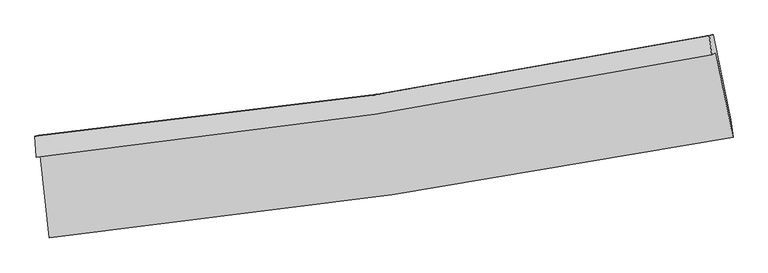
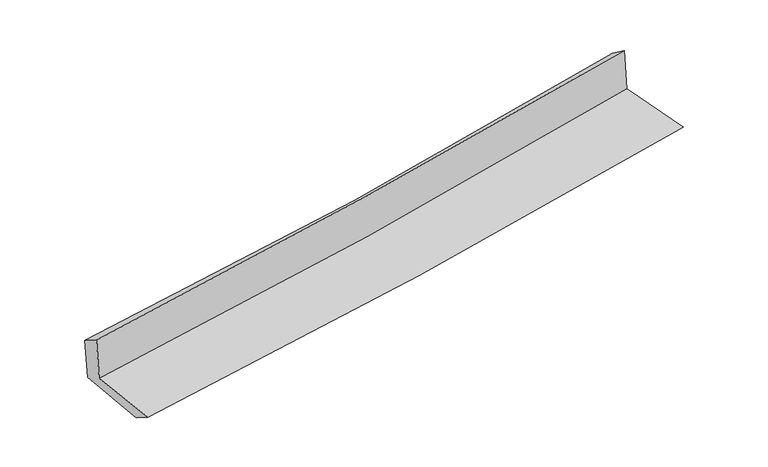
"""IFC4 building model written with IfcOpenShell, lengths in millimetres: proxy geometry."""

from ifc_helpers import new_model, si_unit, frame, origin, place, context, project, spatial, source, transform, mapped, element, save
from ifc_brep_helpers import plane_surface, spline_curve, spline_surface, advanced_brep


def generic_models_d8c69600(model_context):
    return source(origin(), model_context, "Body", "AdvancedBrep", [
        advanced_brep(
        [(-2715.2418227, -1890.6875689, 1649.9943661), (-2641.7908577, -2546.5777275, 1639.9581677), (2800.2095944, -1743.0434162, 2099.7030735), (2663.9078402, -1072.000518, 2120.0743939), (-2747.8824113, -1905.4676664, 2047.7362705), (2630.9921589, -1086.7034325, 2516.8793396), (-2757.9042518, -1735.1824505, 1945.3508108), (2610.9114374, -938.0172562, 2409.4135162), (-2725.9979908, -1727.6273283, 1565.4083002), (2644.1791935, -930.2128453, 2024.0077612), (-2651.5655268, -2377.5771444, 1536.3542466), (2781.8540661, -1605.8475939, 1998.6238099)],
        [
            (0, 1),
            (1, 2, spline_curve(3, [(-2641.7908577, -2546.5777275, 1639.9581677), (-1730.749495493, -2450.430466036, 1718.897724283), (-822.367448327, -2335.517124539, 1796.627020976), (991.647814328, -2067.778994984, 1949.882200116), (1897.265917637, -1914.847565791, 2025.401205559), (2800.2095944, -1743.0434162, 2099.7030735)], [4, 2, 4], [0.0, 8.997003969831006, 18.019535048561163])),
            (2, 3),
            (3, 0, spline_curve(3, [(2663.9078402, -1072.000518, 2120.0743939), (1772.061714259, -1250.977519047, 2048.79883386), (877.236941205, -1408.756601503, 1973.927136799), (-915.829777051, -1681.53250593, 1817.213474303), (-1814.054891837, -1796.649106799, 1735.391828781), (-2715.2418227, -1890.6875689, 1649.9943661)], [4, 2, 4], [0.0, 9.022531078730157, 18.019535048561163])),
            (4, 0),
            (3, 5),
            (5, 4, spline_curve(3, [(2630.9921589, -1086.7034325, 2516.8793396), (1738.66578883, -1265.962419861, 2452.205023008), (843.624223663, -1423.888746036, 2380.707573221), (-949.349308918, -1696.689616629, 2224.28799587), (-1847.265933272, -1811.684701929, 2139.404422963), (-2747.8824113, -1905.4676664, 2047.7362705)], [4, 2, 4], [0.0, 8.974444659443975, 17.923498259091982])),
            (6, 4),
            (5, 7),
            (7, 6, spline_curve(3, [(2610.9114374, -938.0172562, 2409.4135162), (1721.918542874, -1119.764901714, 2334.047328149), (829.381970885, -1277.128770898, 2257.63607958), (-960.243282431, -1542.71272151, 2102.942606051), (-1857.311940021, -1651.070583642, 2024.666286046), (-2757.9042518, -1735.1824505, 1945.3508108)], [4, 2, 4], [0.0, 8.963413928742861, 17.90146800652255])),
            (8, 6),
            (7, 9),
            (9, 8, spline_curve(3, [(2644.1791935, -930.2128453, 2024.0077612), (1755.108831849, -1111.973492767, 1947.792673626), (862.419801312, -1269.364686612, 1871.414138032), (-927.659707544, -1535.031814165, 1718.546727533), (-1825.029738506, -1643.445447984, 1642.058776274), (-2725.9979908, -1727.6273283, 1565.4083002)], [4, 2, 4], [0.0, 8.953439907343396, 17.88154818284841])),
            (10, 8),
            (9, 11),
            (11, 10, spline_curve(3, [(2781.8540661, -1605.8475939, 1998.6238099), (1879.495394669, -1768.961216579, 1922.354068469), (974.886478564, -1914.895626807, 1845.641535643), (-836.26610094, -2172.041738542, 1691.549179024), (-1742.79704902, -2283.350512135, 1614.171857607), (-2651.5655268, -2377.5771444, 1536.3542466)], [4, 2, 4], [0.0, 9.001521758101202, 17.977575848186405])),
            (1, 10),
            (11, 2),
        ],
        [
            spline_surface(3, 3, [[(-2715.2418227, -1890.6875689, 1649.9943661), (-1814.054891853, -1796.649106936, 1735.391828765), (-915.82977719, -1681.532505911, 1817.21347422), (877.236941345, -1408.756601522, 1973.927136881), (1772.061714323, -1250.977518961, 2048.798833997), (2663.9078402, -1072.000518, 2120.0743939)], [(-2690.758167709, -2109.317621741, 1646.648966646), (-1786.286426424, -2014.57622661, 1729.89379398), (-884.675667575, -1899.527378834, 1810.351323115), (915.373898982, -1628.430732669, 1965.912158023), (1813.796448795, -1472.267534609, 2040.999624566), (2709.341758257, -1295.68148409, 2113.28395377)], [(-2666.274512691, -2327.947674659, 1643.303567154), (-1758.517960968, -2232.503346362, 1724.395759156), (-853.521557914, -2117.522251697, 1803.489171951), (953.510856663, -1848.104863756, 1957.897179105), (1855.531183297, -1693.557550187, 2033.200415124), (2754.775676343, -1519.36245011, 2106.49351363)], [(-2641.7908577, -2546.5777275, 1639.9581677), (-1730.749495539, -2450.430466036, 1718.897724371), (-822.367448299, -2335.51712462, 1796.627020846), (991.6478143, -2067.778994902, 1949.882200246), (1897.265917768, -1914.847565835, 2025.401205693), (2800.2095944, -1743.0434162, 2099.7030735)]], [4, 4], [4, 2, 4], [0.0, 2.1819766776800043], [0.0, 8.997003969831006, 18.019535048561163]),
            spline_surface(3, 3, [[(-2747.8824113, -1905.4676664, 2047.7362705), (-1847.265933415, -1811.684701822, 2139.404422829), (-949.349308804, -1696.689616653, 2224.287995894), (843.624223548, -1423.888746012, 2380.707573196), (1738.665788967, -1265.962419832, 2452.205023136), (2630.9921589, -1086.7034325, 2516.8793396)], [(-2737.002215091, -1900.540967263, 1915.155635703), (-1836.195586219, -1806.67283689, 2004.733558144), (-938.176131599, -1691.637246396, 2088.596488661), (854.828462814, -1418.84469784, 2245.114094416), (1749.797764073, -1260.967452856, 2317.736293427), (2641.964052654, -1081.802460981, 2384.611024371)], [(-2726.122018909, -1895.614268037, 1782.575000897), (-1825.125239049, -1801.660971868, 1870.06269345), (-927.002954395, -1686.584876168, 1952.904981454), (866.032702079, -1413.800649695, 2109.520615662), (1760.929739217, -1255.972485937, 2183.267563706), (2652.935946446, -1076.901489519, 2252.342709129)], [(-2715.2418227, -1890.6875689, 1649.9943661), (-1814.054891853, -1796.649106936, 1735.391828765), (-915.82977719, -1681.532505911, 1817.21347422), (877.236941345, -1408.756601522, 1973.927136881), (1772.061714323, -1250.977518961, 2048.798833997), (2663.9078402, -1072.000518, 2120.0743939)]], [4, 4], [4, 2, 4], [0.0, 1.3405179005096528], [0.0, 8.949053599648007, 17.923498259091982]),
            spline_surface(3, 3, [[(-2757.9042518, -1735.1824505, 1945.3508108), (-1857.311940096, -1651.07058361, 2024.666286079), (-960.243282438, -1542.7127214, 2102.942605998), (829.381970892, -1277.128771009, 2257.636079632), (1721.918543019, -1119.764901746, 2334.047328115), (2610.9114374, -938.0172562, 2409.4135162)], [(-2754.563638325, -1791.94418913, 1979.479297366), (-1853.963271227, -1704.608623011, 2062.912331662), (-956.611957895, -1594.038353144, 2143.391069291), (834.129388443, -1326.04876267, 2298.659910814), (1727.500958354, -1168.497407777, 2373.433226437), (2617.605011252, -987.579314969, 2445.235457315)], [(-2751.223024775, -1848.70592777, 2013.607783934), (-1850.614602284, -1758.146662421, 2101.158377246), (-952.980633347, -1645.363984909, 2183.839532602), (838.876805998, -1374.968754351, 2339.683742014), (1733.083373632, -1217.229913801, 2412.819124814), (2624.298585048, -1037.141373731, 2481.057398485)], [(-2747.8824113, -1905.4676664, 2047.7362705), (-1847.265933415, -1811.684701822, 2139.404422829), (-949.349308804, -1696.689616653, 2224.287995894), (843.624223548, -1423.888746012, 2380.707573196), (1738.665788967, -1265.962419832, 2452.205023136), (2630.9921589, -1086.7034325, 2516.8793396)]], [4, 4], [4, 2, 4], [0.0, 0.6370337343700329], [0.0, 8.938054077779688, 17.90146800652255]),
            spline_surface(3, 3, [[(-2725.9979908, -1727.6273283, 1565.4083002), (-1825.029738454, -1643.445447913, 1642.058776188), (-927.65970751, -1535.031814175, 1718.546727488), (862.419801279, -1269.364686602, 1871.414138077), (1755.10883178, -1111.973492668, 1947.792673734), (2644.1791935, -930.2128453, 2024.0077612)], [(-2736.63341113, -1730.145702342, 1692.055803731), (-1835.790472332, -1645.987159787, 1769.594612816), (-938.520899157, -1537.592116579, 1846.678687012), (851.407191146, -1271.952714733, 2000.154785283), (1744.045402176, -1114.57062902, 2076.544225203), (2633.08994145, -932.814315593, 2152.476346208)], [(-2747.26883147, -1732.664076458, 1818.703307269), (-1846.551206218, -1648.528871735, 1897.130449451), (-949.382090791, -1540.152418996, 1974.810646474), (840.394581025, -1274.540742878, 2128.895432427), (1732.981972623, -1117.167765394, 2205.295776647), (2622.00068945, -935.415785907, 2280.944931192)], [(-2757.9042518, -1735.1824505, 1945.3508108), (-1857.311940096, -1651.07058361, 2024.666286079), (-960.243282438, -1542.7127214, 2102.942605998), (829.381970892, -1277.128771009, 2257.636079632), (1721.918543019, -1119.764901746, 2334.047328115), (2610.9114374, -938.0172562, 2409.4135162)]], [4, 4], [4, 2, 4], [0.0, 1.2689734350952482], [0.0, 8.928108275505013, 17.88154818284841]),
            spline_surface(3, 3, [[(-2651.5655268, -2377.5771444, 1536.3542466), (-1742.797048971, -2283.350512186, 1614.171857633), (-836.266100867, -2172.041738677, 1691.549179108), (974.88647849, -1914.895626671, 1845.641535559), (1879.49539468, -1768.961216674, 1922.354068488), (2781.8540661, -1605.8475939, 1998.6238099)], [(-2676.376348118, -2160.927205712, 1546.03893112), (-1770.20794545, -2070.048824107, 1623.467497138), (-866.730636403, -1959.705097203, 1700.548361892), (937.397586098, -1699.718646675, 1854.232403055), (1838.033207053, -1549.965308684, 1930.833603563), (2735.962441906, -1380.636011045, 2007.085126993)], [(-2701.187169482, -1944.277266988, 1555.72361568), (-1797.618841974, -1856.747135991, 1632.763136684), (-897.195171974, -1747.368455649, 1709.547544704), (899.908693671, -1484.541666598, 1862.823270581), (1796.571019407, -1330.969400658, 1939.313138659), (2690.070817694, -1155.424428155, 2015.546444107)], [(-2725.9979908, -1727.6273283, 1565.4083002), (-1825.029738454, -1643.445447913, 1642.058776188), (-927.65970751, -1535.031814175, 1718.546727488), (862.419801279, -1269.364686602, 1871.414138077), (1755.10883178, -1111.973492668, 1947.792673734), (2644.1791935, -930.2128453, 2024.0077612)]], [4, 4], [4, 2, 4], [0.0, 2.132130050881331], [0.0, 8.976054090085203, 17.977575848186405]),
            spline_surface(3, 3, [[(-2641.7908577, -2546.5777275, 1639.9581677), (-1730.749495539, -2450.430466036, 1718.897724371), (-822.367448299, -2335.51712462, 1796.627020846), (991.6478143, -2067.778994902, 1949.882200246), (1897.265917768, -1914.847565835, 2025.401205693), (2800.2095944, -1743.0434162, 2099.7030735)], [(-2645.049080726, -2490.244199811, 1605.423527334), (-1734.765346676, -2394.737148097, 1683.989102126), (-827.000332479, -2281.02532928, 1761.601073585), (986.060702372, -2016.817872133, 1915.135312001), (1891.342410087, -1866.21878277, 1991.052159968), (2794.091084981, -1697.311475422, 2066.009985643)], [(-2648.307303774, -2433.910672089, 1570.888886966), (-1738.781197834, -2339.043830125, 1649.080479878), (-831.633216686, -2226.533534018, 1726.57512637), (980.473590418, -1965.856749441, 1880.388423804), (1885.418902361, -1817.589999738, 1956.703114213), (2787.972575519, -1651.579534678, 2032.316897757)], [(-2651.5655268, -2377.5771444, 1536.3542466), (-1742.797048971, -2283.350512186, 1614.171857633), (-836.266100867, -2172.041738677, 1691.549179108), (974.88647849, -1914.895626671, 1845.641535559), (1879.49539468, -1768.961216674, 1922.354068488), (2781.8540661, -1605.8475939, 1998.6238099)]], [4, 4], [4, 2, 4], [0.0, 0.6242603699278481], [0.0, 9.034132896232737, 18.093898246894177]),
            plane_surface(frame((2688.6757151, -1229.304177, 2194.7836491), z_axis=(0.9766825254541583, 0.1957034124974548, 0.08826901386862049), x_axis=(-0.08598149583434707, -0.020170729834183915, 0.9960925278467079))),
            plane_surface(frame((-2706.7304768, -2030.519981, 1730.8003603), z_axis=(-0.9903058498502872, -0.10959520056391961, -0.08534175862761795), x_axis=(-0.11127814341860653, 0.993672978351944, 0.015204831156089046))),
        ],
        [
            (0, [[1, 2, 3, 4]]),
            (1, [[5, -4, 6, 7]]),
            (2, [[8, -7, 9, 10]]),
            (3, [[11, -10, 12, 13]]),
            (4, [[14, -13, 15, 16]]),
            (5, [[17, -16, 18, -2]]),
            (6, [[-12, -9, -6, -3, -18, -15]]),
            (7, [[-1, -5, -8, -11, -14, -17]]),
        ],
    ),
    ])


if __name__ == "__main__":
    model = new_model("IFC4")
    model_context = context("Model", 3, world=origin())
    ifc_project = project(units=[si_unit("LENGTHUNIT", "METRE", prefix="MILLI")], contexts=[model_context])
    site = spatial("IfcSite", under=ifc_project)
    building = spatial("IfcBuilding", under=site)
    placement = place(None, origin())
    generic_models_shape = generic_models_d8c69600(model_context)
    element("IfcBuildingElementProxy", 1, Name="Generic Models", at=placement, inside=building, context=model_context, shape_type="MappedRepresentation", body=[
        mapped(generic_models_shape, transform((0.0, 0.0, 0.0), x_axis=(1.0, 0.0, 0.0), y_axis=(0.0, 1.0, 0.0), z_axis=(0.0, 0.0, 1.0))),
    ])
    save(model, "model.ifc")
